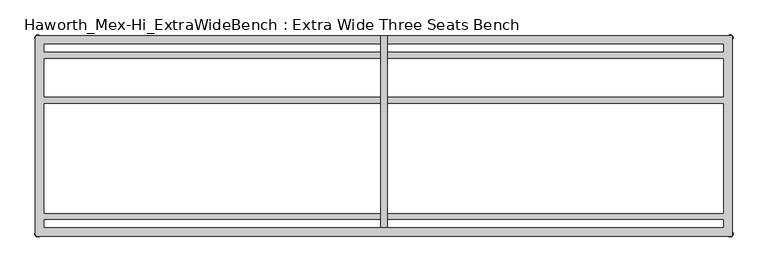
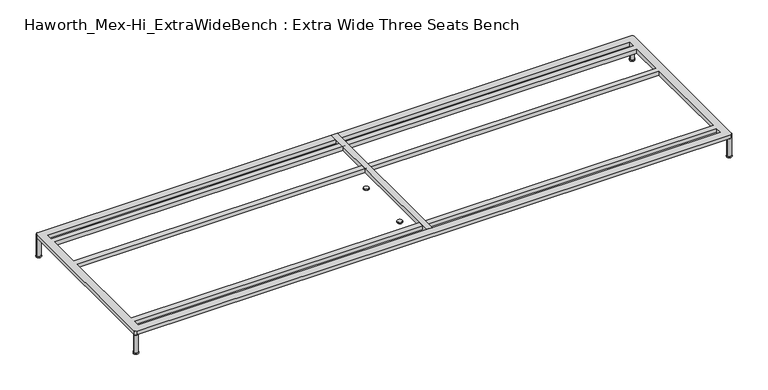
"""IFC4 building model written with IfcOpenShell, lengths in millimetres: furniture geometry, Haworth_Mex-Hi_ExtraWideBench : Extra Wide Three Seats Bench."""

from ifc_helpers import new_model, si_unit, point, frame, frame_2d, origin, origin_with_axes, place, context, project, spatial, polyline, circle_curve, trimmed, segment, composite_curve, outline, extrude, source, transform, mapped, element, save


def haworth_mex_hi_extrawidebench_extra_wide_three_seats_bench_c3a6f9d3(model_context):
    return source(origin(), model_context, "Body", "SweptSolid", [
        extrude(outline(composite_curve([segment(trimmed(circle_curve(frame_2d((-155.4452882, -433.7002937)), 12.5000005), [point((-167.9452886, -433.7002937))], [point((-142.9452877, -433.7002937))], False, "CARTESIAN"), True, "CONTINUOUS"), segment(trimmed(circle_curve(frame_2d((-155.4452882, -433.7002937)), 12.5000005), [point((-142.9452877, -433.7002937))], [point((-167.9452886, -433.7002937))], False, "CARTESIAN"), True, "CONTINUOUS")], self_intersect=False)), origin_with_axes(), (0.0, 0.0, 1.0), 6.0),
        extrude(outline(composite_curve([segment(trimmed(circle_curve(frame_2d((-155.4452882, -133.6667163)), 12.5000005), [point((-167.9452886, -133.6667163))], [point((-142.9452877, -133.6667163))], False, "CARTESIAN"), True, "CONTINUOUS"), segment(trimmed(circle_curve(frame_2d((-155.4452882, -133.6667163)), 12.5000005), [point((-142.9452877, -133.6667163))], [point((-167.9452886, -133.6667163))], False, "CARTESIAN"), True, "CONTINUOUS")], self_intersect=False)), origin_with_axes(), (0.0, 0.0, 1.0), 6.0),
        extrude(outline(polyline([(-169.7406049, -696.2002953), (-169.7406049, 153.6358637), (-139.7406192, 153.6358637), (-139.7406192, -696.2002953), (-169.7406049, -696.2002953)])), frame((0.0, 0.0, 103.6569541), z_axis=(0.0, 0.0, 1.0), x_axis=(1.0, 0.0, 0.0)), (0.0, 0.0, 1.0), 20.3430443),
        extrude(outline(composite_curve([segment(trimmed(circle_curve(frame_2d((-1689.070311, 143.787786)), 12.5000005), [point((-1701.5703115, 143.787786))], [point((-1676.5703105, 143.787786))], False, "CARTESIAN"), True, "CONTINUOUS"), segment(trimmed(circle_curve(frame_2d((-1689.070311, 143.787786)), 12.5000005), [point((-1676.5703105, 143.787786))], [point((-1701.5703115, 143.787786))], False, "CARTESIAN"), True, "CONTINUOUS")], self_intersect=False)), origin_with_axes(), (0.0, 0.0, 1.0), 6.0),
        extrude(outline(composite_curve([segment(trimmed(circle_curve(frame_2d((-1689.070311, -726.2491859)), 12.5000005), [point((-1701.5703115, -726.2491859))], [point((-1676.5703105, -726.2491859))], False, "CARTESIAN"), True, "CONTINUOUS"), segment(trimmed(circle_curve(frame_2d((-1689.070311, -726.2491859)), 12.5000005), [point((-1676.5703105, -726.2491859))], [point((-1701.5703115, -726.2491859))], False, "CARTESIAN"), True, "CONTINUOUS")], self_intersect=False)), origin_with_axes(), (0.0, 0.0, 1.0), 6.0),
        extrude(outline(composite_curve([segment(trimmed(circle_curve(frame_2d((1379.7672347, 143.787786)), 12.5000005), [point((1367.2672342, 143.787786))], [point((1392.2672352, 143.787786))], False, "CARTESIAN"), True, "CONTINUOUS"), segment(trimmed(circle_curve(frame_2d((1379.7672347, 143.787786)), 12.5000005), [point((1392.2672352, 143.787786))], [point((1367.2672342, 143.787786))], False, "CARTESIAN"), True, "CONTINUOUS")], self_intersect=False)), origin_with_axes(), (0.0, 0.0, 1.0), 6.0),
        extrude(outline(composite_curve([segment(trimmed(circle_curve(frame_2d((1379.6726028, -726.2033172)), 12.5000005), [point((1367.1726024, -726.2033172))], [point((1392.1726033, -726.2033172))], False, "CARTESIAN"), True, "CONTINUOUS"), segment(trimmed(circle_curve(frame_2d((1379.6726028, -726.2033172)), 12.5000005), [point((1392.1726033, -726.2033172))], [point((1367.1726024, -726.2033172))], False, "CARTESIAN"), True, "CONTINUOUS")], self_intersect=False)), origin_with_axes(), (0.0, 0.0, 1.0), 6.0),
        extrude(outline(composite_curve([segment(trimmed(circle_curve(frame_2d((-1689.070311, 143.787786)), 10.4664203), [point((-1699.5367314, 143.787786))], [point((-1678.6038907, 143.787786))], False, "CARTESIAN"), True, "CONTINUOUS"), segment(trimmed(circle_curve(frame_2d((-1689.070311, 143.787786)), 10.4664203), [point((-1678.6038907, 143.787786))], [point((-1699.5367314, 143.787786))], False, "CARTESIAN"), True, "CONTINUOUS")], self_intersect=False)), origin_with_axes(), (0.0, 0.0, 1.0), 103.6569541),
        extrude(outline(composite_curve([segment(trimmed(circle_curve(frame_2d((1379.7417227, -726.1628448)), 10.4664203), [point((1369.2753024, -726.1628448))], [point((1390.2081431, -726.1628448))], False, "CARTESIAN"), True, "CONTINUOUS"), segment(trimmed(circle_curve(frame_2d((1379.7417227, -726.1628448)), 10.4664203), [point((1390.2081431, -726.1628448))], [point((1369.2753024, -726.1628448))], False, "CARTESIAN"), True, "CONTINUOUS")], self_intersect=False)), origin_with_axes(), (0.0, 0.0, 1.0), 103.6569541),
        extrude(outline(composite_curve([segment(trimmed(circle_curve(frame_2d((1379.8202147, 143.7799368)), 10.4664203), [point((1369.3537944, 143.7799368))], [point((1390.286635, 143.7799368))], False, "CARTESIAN"), True, "CONTINUOUS"), segment(trimmed(circle_curve(frame_2d((1379.8202147, 143.7799368)), 10.4664203), [point((1390.286635, 143.7799368))], [point((1369.3537944, 143.7799368))], False, "CARTESIAN"), True, "CONTINUOUS")], self_intersect=False)), origin_with_axes(), (0.0, 0.0, 1.0), 103.6569541),
        extrude(outline(composite_curve([segment(trimmed(circle_curve(frame_2d((-1688.9989857, -726.0945909)), 10.4664203), [point((-1699.4654061, -726.0945909))], [point((-1678.5325654, -726.0945909))], False, "CARTESIAN"), True, "CONTINUOUS"), segment(trimmed(circle_curve(frame_2d((-1688.9989857, -726.0945909)), 10.4664203), [point((-1678.5325654, -726.0945909))], [point((-1699.4654061, -726.0945909))], False, "CARTESIAN"), True, "CONTINUOUS")], self_intersect=False)), origin_with_axes(), (0.0, 0.0, 1.0), 103.6569541),
        extrude(outline(composite_curve([segment(polyline([(-1689.5163796, 153.6358637), (1380.0351554, 153.6358637)]), True, "CONTINUOUS"), segment(trimmed(circle_curve(frame_2d((1380.0351554, 144.0819322)), 9.5539314), [point((1380.0351554, 153.6358637))], [point((1389.5890868, 144.0819322))], False, "CARTESIAN"), True, "CONTINUOUS"), segment(polyline([(1389.5890868, 144.0819322), (1389.5890868, -728.9954927)]), True, "CONTINUOUS"), segment(trimmed(circle_curve(frame_2d((1382.3961728, -728.9954927)), 7.192914), [point((1389.5890868, -728.9954927))], [point((1382.3961728, -736.1884068))], False, "CARTESIAN"), True, "CONTINUOUS"), segment(polyline([(1382.3961728, -736.1884068), (-1689.2675349, -736.1884068)]), True, "CONTINUOUS"), segment(trimmed(circle_curve(frame_2d((-1689.2675349, -726.3856306)), 9.8027761), [point((-1689.2675349, -736.1884068))], [point((-1699.070311, -726.3856306))], False, "CARTESIAN"), True, "CONTINUOUS"), segment(polyline([(-1699.070311, -726.3856306), (-1699.070311, 144.0819322)]), True, "CONTINUOUS"), segment(trimmed(circle_curve(frame_2d((-1689.5163796, 144.0819322)), 9.5539314), [point((-1699.070311, 144.0819322))], [point((-1689.5163796, 153.6358637))], False, "CARTESIAN"), True, "CONTINUOUS")], self_intersect=False), holes=[polyline([(-1659.0822296, -663.7579623), (-1659.0822296, -696.2002953), (1349.6908076, -696.2002953), (1349.6908076, -663.7579623), (-1659.0822296, -663.7579623)]), polyline([(-1659.0822296, 113.7997046), (-1659.0822296, 81.2997034), (1349.6908076, 81.2997034), (1349.6908076, 113.7997046), (-1659.0822296, 113.7997046)]), polyline([(-1659.0822296, -148.700302), (-1659.0822296, -633.7579584), (1349.6908076, -633.7579584), (1349.6908076, -148.700302), (-1659.0822296, -148.700302)]), polyline([(1349.6908076, 51.2996995), (-1659.0822296, 51.2996995), (-1659.0822296, -118.7002981), (1349.6908076, -118.7002981), (1349.6908076, 51.2996995)])]), frame((0.0, 0.0, 103.6569541), z_axis=(0.0, 0.0, 1.0), x_axis=(1.0, 0.0, 0.0)), (0.0, 0.0, 1.0), 20.3430443),
    ])


if __name__ == "__main__":
    model = new_model("IFC4")
    model_context = context("Model", 3, world=origin())
    ifc_project = project(units=[si_unit("LENGTHUNIT", "METRE", prefix="MILLI")], contexts=[model_context])
    site = spatial("IfcSite", under=ifc_project)
    building = spatial("IfcBuilding", under=site)
    placement = place(None, origin())
    haworth_mex_hi_extrawidebench_extra_wide_three_seats_bench_shape = haworth_mex_hi_extrawidebench_extra_wide_three_seats_bench_c3a6f9d3(model_context)
    element("IfcFurniture", 1, ObjectType="Haworth_Mex-Hi_ExtraWideBench : Extra Wide Three Seats Bench", at=placement, inside=building, context=model_context, shape_type="MappedRepresentation", body=[
        mapped(haworth_mex_hi_extrawidebench_extra_wide_three_seats_bench_shape, transform((0.0, 0.0, 0.0), x_axis=(1.0, 0.0, 0.0), y_axis=(0.0, 1.0, 0.0), z_axis=(0.0, 0.0, 1.0))),
    ])
    save(model, "model.ifc")
